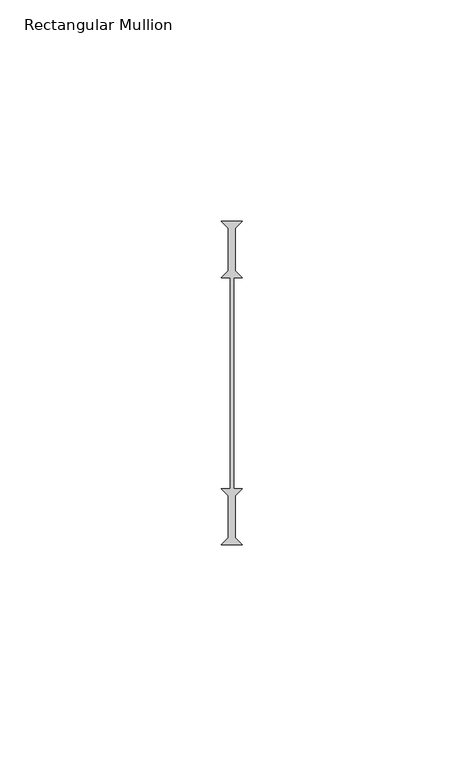
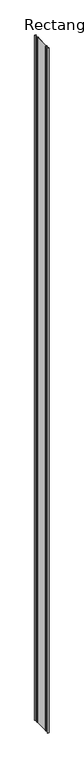
"""IFC4 building model written with IfcOpenShell, lengths in millimetres: member geometry, Rectangular Mullion."""

from ifc_helpers import new_model, si_unit, frame, origin, place, context, project, spatial, polyline, outline, extrude, source, transform, mapped, element, save


def rectangular_mullion_335b8890(model_context):
    return source(origin(), model_context, "Body", "SweptSolid", [
        extrude(outline(polyline([(-2.38125, 36.5125), (2.38125, 36.5125), (0.79375, 34.925), (0.79375, 25.4), (2.38125, 23.8125), (0.396875, 23.8125), (0.396875, -23.8125), (2.38125, -23.8125), (0.79375, -25.4), (0.79375, -34.925), (2.38125, -36.5125), (-2.38125, -36.5125), (-0.79375, -34.925), (-0.79375, -25.4), (-2.38125, -23.8125), (-0.396875, -23.8125), (-0.396875, 23.8125), (-2.38125, 23.8125), (-0.79375, 25.4), (-0.79375, 34.925), (-2.38125, 36.5125)])), frame((0.0, 0.0, -2359.025), z_axis=(0.0, 0.0, 1.0), x_axis=(1.0, 0.0, 0.0)), (0.0, 0.0, 1.0), 2359.025),
    ])


if __name__ == "__main__":
    model = new_model("IFC4")
    model_context = context("Model", 3, world=origin())
    ifc_project = project(units=[si_unit("LENGTHUNIT", "METRE", prefix="MILLI")], contexts=[model_context])
    site = spatial("IfcSite", under=ifc_project)
    building = spatial("IfcBuilding", under=site)
    placement = place(None, origin())
    rectangular_mullion_shape = rectangular_mullion_335b8890(model_context)
    element("IfcMember", 1, ObjectType="Rectangular Mullion", at=placement, inside=building, context=model_context, shape_type="MappedRepresentation", body=[
        mapped(rectangular_mullion_shape, transform((0.0, 0.0, 0.0), x_axis=(1.0, 0.0, 0.0), y_axis=(0.0, 1.0, 0.0), z_axis=(0.0, 0.0, 1.0))),
    ])
    save(model, "model.ifc")
